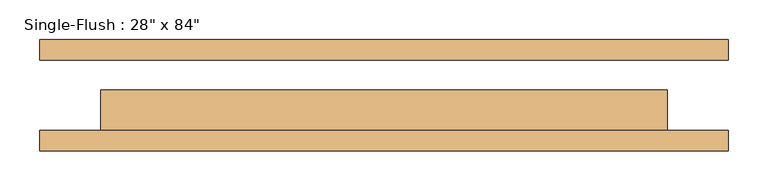
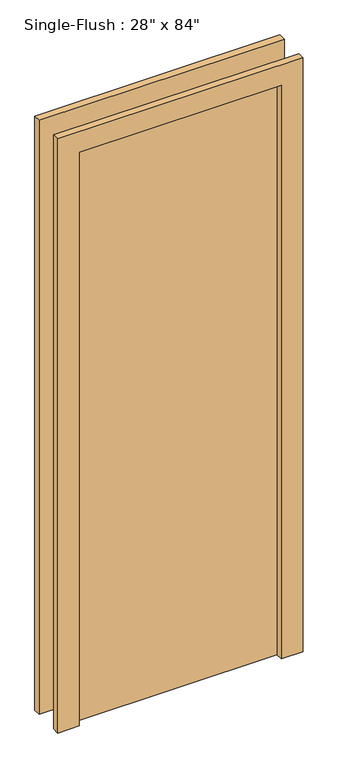
"""IFC4 building model written with IfcOpenShell, lengths in millimetres: door geometry."""

from ifc_helpers import new_model, si_unit, frame, origin, origin_with_axes, place, context, project, spatial, polyline, outline, extrude, source, transform, mapped, element, save


def door_3d6ad24a(model_context):
    return source(origin(), model_context, "Body", "SweptSolid", [
        extrude(outline(polyline([(2209.8, -431.8), (0.0, -431.8), (0.0, -355.6), (2133.6, -355.6), (2133.6, 355.6), (0.0, 355.6), (0.0, 431.8), (2209.8, 431.8), (2209.8, -431.8)])), frame((0.0, -69.85, 0.0), z_axis=(0.0, 1.0, 0.0), x_axis=(0.0, 0.0, 1.0)), (0.0, 0.0, 1.0), 25.4),
        extrude(outline(polyline([(2209.8, 431.8), (2209.8, -431.8), (0.0, -431.8), (0.0, -355.6), (2133.6, -355.6), (2133.6, 355.6), (0.0, 355.6), (0.0, 431.8), (2209.8, 431.8)])), frame((0.0, 44.45, 0.0), z_axis=(0.0, 1.0, 0.0), x_axis=(0.0, 0.0, 1.0)), (0.0, 0.0, 1.0), 25.4),
        extrude(outline(polyline([(355.6, 6.35), (355.6, -44.45), (-355.6, -44.45), (-355.6, 6.35), (355.6, 6.35)])), origin_with_axes(), (0.0, 0.0, 1.0), 2133.6),
    ])


if __name__ == "__main__":
    model = new_model("IFC4")
    model_context = context("Model", 3, world=origin())
    ifc_project = project(units=[si_unit("LENGTHUNIT", "METRE", prefix="MILLI")], contexts=[model_context])
    site = spatial("IfcSite", under=ifc_project)
    building = spatial("IfcBuilding", under=site)
    placement = place(None, origin())
    door_shape = door_3d6ad24a(model_context)
    element("IfcDoor", 1, ObjectType="Single-Flush : 28\" x 84\"", at=placement, inside=building, context=model_context, shape_type="MappedRepresentation", body=[
        mapped(door_shape, transform((0.0, 0.0, 0.0), x_axis=(1.0, 0.0, 0.0), y_axis=(0.0, 1.0, 0.0), z_axis=(0.0, 0.0, 1.0))),
    ])
    save(model, "model.ifc")
